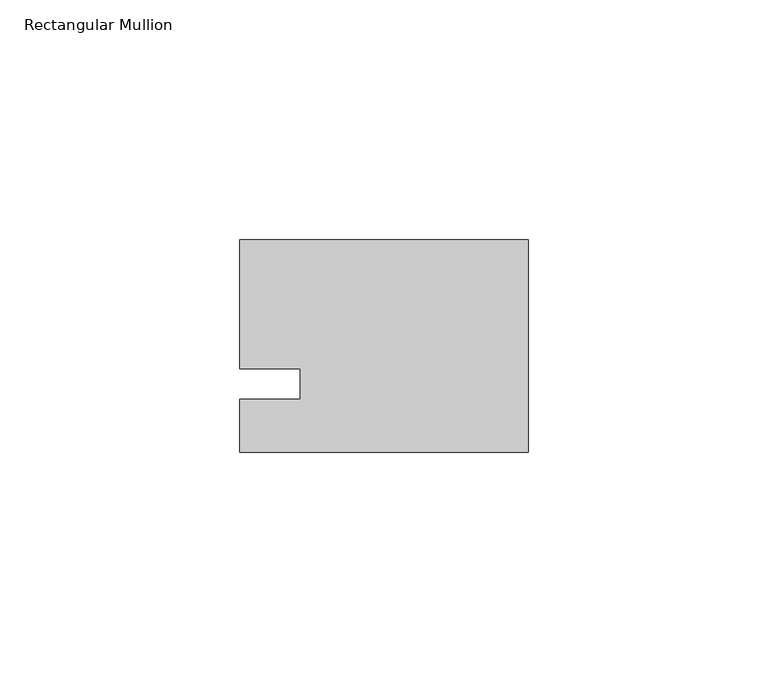
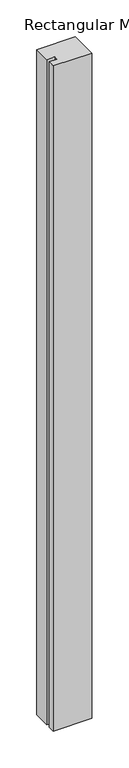
"""IFC4 building model written with IfcOpenShell, lengths in millimetres: member geometry, Rectangular Mullion."""

from ifc_helpers import new_model, si_unit, frame, origin, place, context, project, spatial, polyline, outline, extrude, source, transform, mapped, element, save


def rectangular_mullion_f84eca7c(model_context):
    return source(origin(), model_context, "Body", "SweptSolid", [
        extrude(outline(polyline([(-60.325, 30.1625), (0.0, 30.1625), (0.0, -14.2875), (-60.325, -14.2875), (-60.325, -3.175), (-47.625, -3.175), (-47.625, 3.175), (-60.325, 3.175), (-60.325, 30.1625)])), frame((0.0, 0.0, -1099.7094027), z_axis=(0.0, 0.0, 1.0), x_axis=(1.0, 0.0, 0.0)), (0.0, 0.0, 1.0), 1099.7094027),
    ])


if __name__ == "__main__":
    model = new_model("IFC4")
    model_context = context("Model", 3, world=origin())
    ifc_project = project(units=[si_unit("LENGTHUNIT", "METRE", prefix="MILLI")], contexts=[model_context])
    site = spatial("IfcSite", under=ifc_project)
    building = spatial("IfcBuilding", under=site)
    placement = place(None, origin())
    rectangular_mullion_shape = rectangular_mullion_f84eca7c(model_context)
    element("IfcMember", 1, ObjectType="Rectangular Mullion", at=placement, inside=building, context=model_context, shape_type="MappedRepresentation", body=[
        mapped(rectangular_mullion_shape, transform((0.0, 0.0, 0.0), x_axis=(1.0, 0.0, 0.0), y_axis=(0.0, 1.0, 0.0), z_axis=(0.0, 0.0, 1.0))),
    ])
    save(model, "model.ifc")
